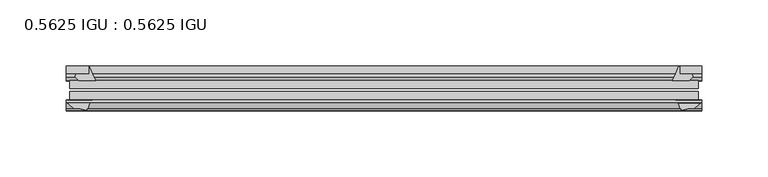
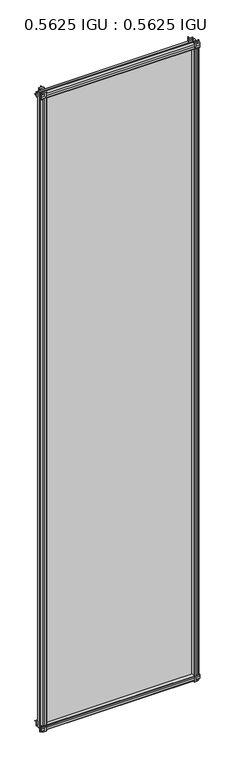
"""IFC4 building model written with IfcOpenShell, lengths in millimetres: plate geometry, 0.5625 IGU : 0.5625 IGU."""

from ifc_helpers import new_model, si_unit, point, frame, frame_2d, origin, place, context, project, spatial, polyline, circle_curve, trimmed, segment, composite_curve, outline, extrude, source, transform, mapped, element, save


def plate_0_5625_igu_0_5625_igu_54c60706(model_context):
    return source(origin(), model_context, "Body", "SweptSolid", [
        extrude(outline(composite_curve([segment(trimmed(circle_curve(frame_2d((-37.8345654, 15.3636795)), 15.5602222), [point((-35.093275, 0.0468313))], [point((-27.955875, 3.3415337))], True, "CARTESIAN"), True, "CONTINUOUS"), segment(polyline([(-27.955875, 3.3415337), (-27.955875, -17.9974199)]), True, "CONTINUOUS"), segment(trimmed(circle_curve(frame_2d((-28.971875, -17.9974199)), 1.016), [point((-27.955875, -17.9974199))], [point((-29.7387172, -18.6639099))], False, "CARTESIAN"), True, "CONTINUOUS"), segment(polyline([(-29.7387172, -18.6639099), (-34.305875, -13.4090837), (-34.305875, -7.4052024), (-35.880675, -1.5279687), (-34.305875, -1.5279687), (-34.305875, -0.7405687)]), True, "CONTINUOUS"), segment(trimmed(circle_curve(frame_2d((-35.093275, -0.7405687)), 0.7874), [point((-34.305875, -0.7405687))], [point((-35.093275, 0.0468313))], True, "CARTESIAN"), True, "CONTINUOUS")], self_intersect=False)), frame((-239.9831096, 0.0, 0.0), z_axis=(1.0, 0.0, 0.0), x_axis=(0.0, 1.0, 0.0)), (0.0, 0.0, 1.0), 479.9662192),
        extrude(outline(composite_curve([segment(trimmed(circle_curve(frame_2d((11.4445684, 45.0767023)), 47.0962123), [point((-13.096875, 4.8800511))], [point((-2.198896, 0.0))], True, "CARTESIAN"), True, "CONTINUOUS"), segment(polyline([(-2.198896, 0.0), (-8.321675, 0.0), (-8.321675, -9.0936065)]), True, "CONTINUOUS"), segment(trimmed(circle_curve(frame_2d((-9.9050751, -9.085239)), 1.5834222), [point((-8.321675, -9.0936065))], [point((-11.0877177, -10.1381313))], False, "CARTESIAN"), True, "CONTINUOUS"), segment(polyline([(-11.0877177, -10.1381313), (-13.096875, -7.8711888), (-13.096875, 4.8800511)]), True, "CONTINUOUS")], self_intersect=False)), frame((-239.9831096, 0.0, 0.0), z_axis=(1.0, 0.0, 0.0), x_axis=(0.0, 1.0, 0.0)), (0.0, 0.0, 1.0), 479.9662192),
        extrude(outline(composite_curve([segment(polyline([(-34.305875, 2013.6590837), (-29.7387172, 2018.9139099)]), True, "CONTINUOUS"), segment(trimmed(circle_curve(frame_2d((-28.971875, 2018.2474199)), 1.016), [point((-29.7387172, 2018.9139099))], [point((-27.955875, 2018.2474199))], False, "CARTESIAN"), True, "CONTINUOUS"), segment(polyline([(-27.955875, 2018.2474199), (-27.955875, 1996.9084663)]), True, "CONTINUOUS"), segment(trimmed(circle_curve(frame_2d((-37.8345654, 1984.8863205)), 15.5602222), [point((-27.955875, 1996.9084663))], [point((-35.093275, 2000.2031687))], True, "CARTESIAN"), True, "CONTINUOUS"), segment(trimmed(circle_curve(frame_2d((-35.093275, 2000.9905687)), 0.7874), [point((-35.093275, 2000.2031687))], [point((-34.305875, 2000.9905687))], True, "CARTESIAN"), True, "CONTINUOUS"), segment(polyline([(-34.305875, 2000.9905687), (-34.305875, 2001.7779687), (-35.880675, 2001.7779687), (-34.305875, 2007.6552024), (-34.305875, 2013.6590837)]), True, "CONTINUOUS")], self_intersect=False)), frame((-239.9831096, 0.0, 0.0), z_axis=(1.0, 0.0, 0.0), x_axis=(0.0, 1.0, 0.0)), (0.0, 0.0, 1.0), 479.9662192),
        extrude(outline(composite_curve([segment(trimmed(circle_curve(frame_2d((-9.9050751, 2009.335239)), 1.5834222), [point((-11.0877177, 2010.3881313))], [point((-8.321675, 2009.3436065))], False, "CARTESIAN"), True, "CONTINUOUS"), segment(polyline([(-8.321675, 2009.3436065), (-8.321675, 2000.25), (-2.198896, 2000.25)]), True, "CONTINUOUS"), segment(trimmed(circle_curve(frame_2d((11.4445684, 1955.1732977)), 47.0962123), [point((-2.198896, 2000.25))], [point((-13.096875, 1995.3699489))], True, "CARTESIAN"), True, "CONTINUOUS"), segment(polyline([(-13.096875, 1995.3699489), (-13.096875, 2008.1211888), (-11.0877177, 2010.3881313)]), True, "CONTINUOUS")], self_intersect=False)), frame((-239.9831096, 0.0, 0.0), z_axis=(1.0, 0.0, 0.0), x_axis=(0.0, 1.0, 0.0)), (0.0, 0.0, 1.0), 479.9662192),
        extrude(outline(composite_curve([segment(polyline([(223.3539894, -8.321675), (231.6232711, -8.321675)]), True, "CONTINUOUS"), segment(trimmed(circle_curve(frame_2d((231.6149036, -9.9050751)), 1.5834222), [point((231.6232711, -8.321675))], [point((232.6677959, -11.0877177))], False, "CARTESIAN"), True, "CONTINUOUS"), segment(polyline([(232.6677959, -11.0877177), (230.4008534, -13.096875), (217.6496135, -13.096875)]), True, "CONTINUOUS"), segment(trimmed(circle_curve(frame_2d((177.4529623, 11.4445684)), 47.0962123), [point((217.6496135, -13.096875))], [point((222.4828333, -2.352675))], True, "CARTESIAN"), True, "CONTINUOUS"), segment(polyline([(222.4828333, -2.352675), (223.3539894, -2.5510821), (223.3539894, -8.321675)]), True, "CONTINUOUS")], self_intersect=False)), frame((0.0, 0.0, -19.0134199), z_axis=(0.0, 0.0, 1.0), x_axis=(1.0, 0.0, 0.0)), (0.0, 0.0, 1.0), 2037.9273298),
        extrude(outline(composite_curve([segment(trimmed(circle_curve(frame_2d((238.9671096, -28.971875)), 1.016), [point((238.9671096, -27.955875))], [point((239.6335996, -29.7387172))], False, "CARTESIAN"), True, "CONTINUOUS"), segment(polyline([(239.6335996, -29.7387172), (234.3787734, -34.305875), (230.3666669, -34.305875), (224.4894333, -35.880675), (224.4894333, -34.305875), (223.3990777, -34.305875)]), True, "CONTINUOUS"), segment(trimmed(circle_curve(frame_2d((211.7631251, -36.1215237)), 11.7767556), [point((223.3990777, -34.305875))], [point((220.2492405, -27.955875))], True, "CARTESIAN"), True, "CONTINUOUS"), segment(polyline([(220.2492405, -27.955875), (238.9671096, -27.955875)]), True, "CONTINUOUS")], self_intersect=False)), frame((0.0, 0.0, -19.0134199), z_axis=(0.0, 0.0, 1.0), x_axis=(1.0, 0.0, 0.0)), (0.0, 0.0, 1.0), 2037.9273298),
        extrude(outline(composite_curve([segment(trimmed(circle_curve(frame_2d((-177.4529623, 11.4445684)), 47.0962123), [point((-222.4331215, -2.5138875))], [point((-217.6496135, -13.096875))], True, "CARTESIAN"), True, "CONTINUOUS"), segment(polyline([(-217.6496135, -13.096875), (-230.4008534, -13.096875), (-232.6677959, -11.0877177)]), True, "CONTINUOUS"), segment(trimmed(circle_curve(frame_2d((-231.6149036, -9.9050751)), 1.5834222), [point((-232.6677959, -11.0877177))], [point((-231.6232711, -8.321675))], False, "CARTESIAN"), True, "CONTINUOUS"), segment(polyline([(-231.6232711, -8.321675), (-222.4331215, -8.321675), (-222.4331215, -2.5138875)]), True, "CONTINUOUS")], self_intersect=False)), frame((0.0, 0.0, -19.0134199), z_axis=(0.0, 0.0, 1.0), x_axis=(1.0, 0.0, 0.0)), (0.0, 0.0, 1.0), 2038.2768398),
        extrude(outline(composite_curve([segment(trimmed(circle_curve(frame_2d((-211.7631251, -36.1215237)), 11.7767556), [point((-220.2492405, -27.955875))], [point((-223.3990777, -34.305875))], True, "CARTESIAN"), True, "CONTINUOUS"), segment(polyline([(-223.3990777, -34.305875), (-224.4894333, -34.305875), (-224.4894333, -35.880675), (-230.3666669, -34.305875), (-234.3787734, -34.305875), (-239.6335996, -29.7387172)]), True, "CONTINUOUS"), segment(trimmed(circle_curve(frame_2d((-238.9671096, -28.971875)), 1.016), [point((-239.6335996, -29.7387172))], [point((-238.9671096, -27.955875))], False, "CARTESIAN"), True, "CONTINUOUS"), segment(polyline([(-238.9671096, -27.955875), (-220.2492405, -27.955875)]), True, "CONTINUOUS")], self_intersect=False)), frame((0.0, 0.0, -19.0134199), z_axis=(0.0, 0.0, 1.0), x_axis=(1.0, 0.0, 0.0)), (0.0, 0.0, 1.0), 2038.2768398),
        extrude(outline(polyline([(-237.2021333, -13.096875), (237.2021333, -13.096875), (237.2021333, -19.396075), (-237.2021333, -19.396075), (-237.2021333, -13.096875)])), frame((0.0, 0.0, -13.5929687), z_axis=(0.0, 0.0, 1.0), x_axis=(1.0, 0.0, 0.0)), (0.0, 0.0, 1.0), 2027.4359375),
        extrude(outline(polyline([(237.2021333, -21.656675), (237.2021333, -27.955875), (-237.2021333, -27.955875), (-237.2021333, -21.656675), (237.2021333, -21.656675)])), frame((0.0, 0.0, -13.5929687), z_axis=(0.0, 0.0, 1.0), x_axis=(1.0, 0.0, 0.0)), (0.0, 0.0, 1.0), 2027.4359375),
    ])


if __name__ == "__main__":
    model = new_model("IFC4")
    model_context = context("Model", 3, world=origin())
    ifc_project = project(units=[si_unit("LENGTHUNIT", "METRE", prefix="MILLI")], contexts=[model_context])
    site = spatial("IfcSite", under=ifc_project)
    building = spatial("IfcBuilding", under=site)
    placement = place(None, origin())
    plate_0_5625_igu_0_5625_igu_shape = plate_0_5625_igu_0_5625_igu_54c60706(model_context)
    element("IfcPlate", 1, ObjectType="0.5625 IGU : 0.5625 IGU", at=placement, inside=building, context=model_context, shape_type="MappedRepresentation", body=[
        mapped(plate_0_5625_igu_0_5625_igu_shape, transform((0.0, 0.0, 0.0), x_axis=(1.0, 0.0, 0.0), y_axis=(0.0, 1.0, 0.0), z_axis=(0.0, 0.0, 1.0))),
    ])
    save(model, "model.ifc")
